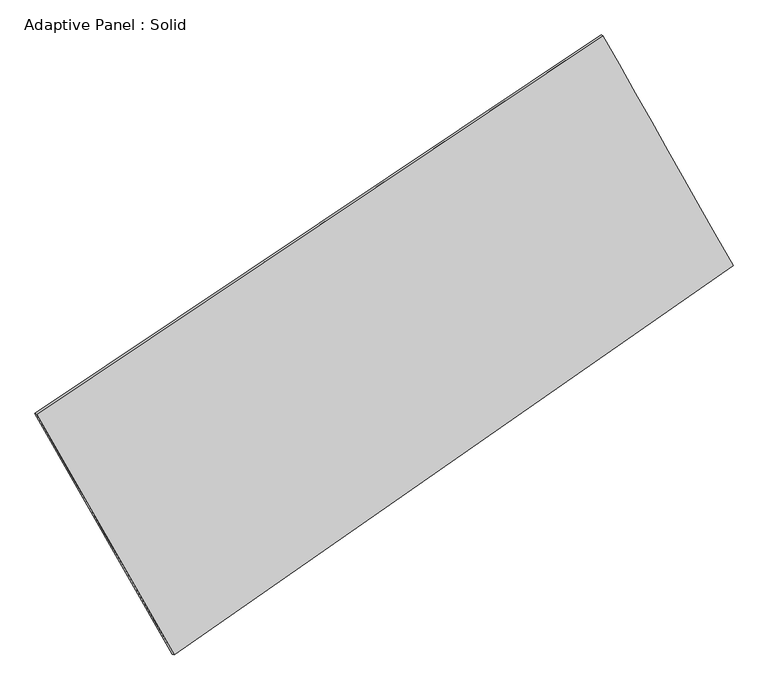
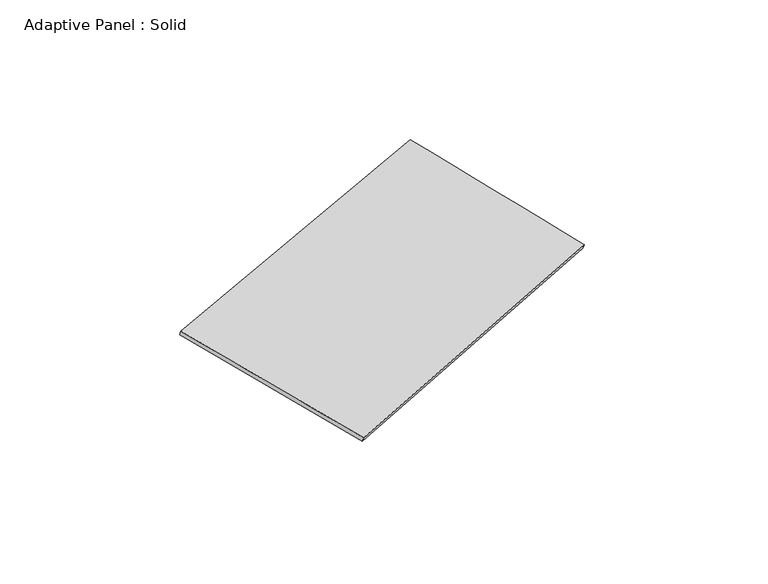
"""IFC4 building model written with IfcOpenShell, lengths in millimetres: plate geometry, Adaptive Panel : Solid."""

from ifc_helpers import new_model, si_unit, frame, origin, place, context, project, spatial, source, transform, mapped, element, save
from ifc_brep_helpers import plane_surface, spline_surface, advanced_brep


def adaptive_panel_solid_ccea5a41(model_context):
    return source(origin(), model_context, "Body", "AdvancedBrep", [
        advanced_brep(
        [(1186.8747785, 2512.6253418, 665.8513982), (-3627.0358966, -710.168895, 1699.3717758), (-3612.3695408, -716.5489885, 1746.7446838), (1201.5411343, 2506.2452483, 713.2243062), (-2458.5963778, -2758.0349933, 1084.1411137), (-2443.9300219, -2764.4150868, 1131.5140217), (2295.4669177, 555.3299737, 35.7582325), (2310.1332736, 548.9498802, 83.1311406)],
        [
            (0, 1),
            (1, 2),
            (2, 3),
            (3, 0),
            (1, 4),
            (4, 5),
            (5, 2),
            (4, 6),
            (6, 7),
            (7, 5),
            (6, 0),
            (3, 7),
        ],
        [
            plane_surface(frame((-1220.0805591, 901.2282234, 1182.611587), z_axis=(-0.49648443027111355, 0.8265959125094627, 0.2650328430987682), x_axis=(-0.818054847807719, -0.5476675050328005, 0.1756319159761037))),
            plane_surface(frame((-3042.8161372, -1734.1019442, 1391.7564447), z_axis=(-0.8285166811161666, -0.5284027375384849, 0.18533929986402653), x_axis=(0.47951684570664244, -0.8404254358138603, -0.25248501246734456))),
            plane_surface(frame((-81.56473, -1101.3525098, 559.9496731), z_axis=(0.5103741434288029, -0.8171075084806741, -0.26805513109026785), x_axis=(0.807298428337182, 0.5626501298183044, -0.1780283096020433))),
            plane_surface(frame((1741.1708481, 1533.9776577, 350.8048154), z_axis=(0.8283067107663827, 0.5287720260554468, -0.18522455928033438), x_axis=(-0.4745640702761335, 0.8378753769893408, 0.26972911566591995))),
            spline_surface(1, 1, [[(-3612.3695408, -716.5489885, 1746.7446838), (1201.5411343, 2506.2452483, 713.2243062)], [(-2443.9300219, -2764.4150868, 1131.5140217), (2310.1332736, 548.9498802, 83.1311406)]], [2, 2], [2, 2], [0.0, 1.0], [0.0, 1.0]),
            spline_surface(1, 1, [[(2295.4669177, 555.3299737, 35.7582325), (1186.8747785, 2512.6253418, 665.8513982)], [(-2458.5963778, -2758.0349933, 1084.1411137), (-3627.0358966, -710.168895, 1699.3717758)]], [2, 2], [2, 2], [0.0, 1.0], [0.0, 1.0]),
        ],
        [
            (0, [[1, 2, 3, 4]]),
            (1, [[5, 6, 7, -2]]),
            (2, [[8, 9, 10, -6]]),
            (3, [[11, -4, 12, -9]]),
            (4, [[-3, -7, -10, -12]]),
            (5, [[-11, -8, -5, -1]]),
        ],
    ),
    ])


if __name__ == "__main__":
    model = new_model("IFC4")
    model_context = context("Model", 3, world=origin())
    ifc_project = project(units=[si_unit("LENGTHUNIT", "METRE", prefix="MILLI")], contexts=[model_context])
    site = spatial("IfcSite", under=ifc_project)
    building = spatial("IfcBuilding", under=site)
    placement = place(None, origin())
    adaptive_panel_solid_shape = adaptive_panel_solid_ccea5a41(model_context)
    element("IfcPlate", 1, ObjectType="Adaptive Panel : Solid", at=placement, inside=building, context=model_context, shape_type="MappedRepresentation", body=[
        mapped(adaptive_panel_solid_shape, transform((0.0, 0.0, 0.0), x_axis=(1.0, 0.0, 0.0), y_axis=(0.0, 1.0, 0.0), z_axis=(0.0, 0.0, 1.0))),
    ])
    save(model, "model.ifc")
